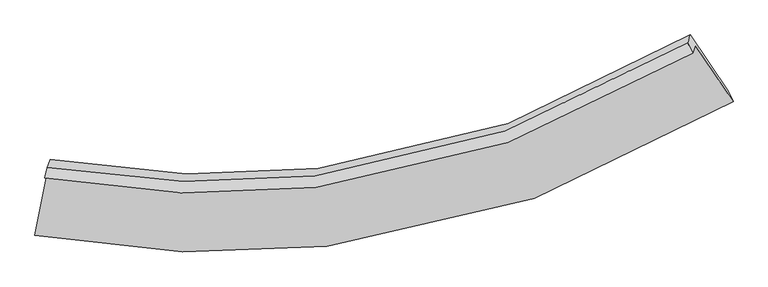
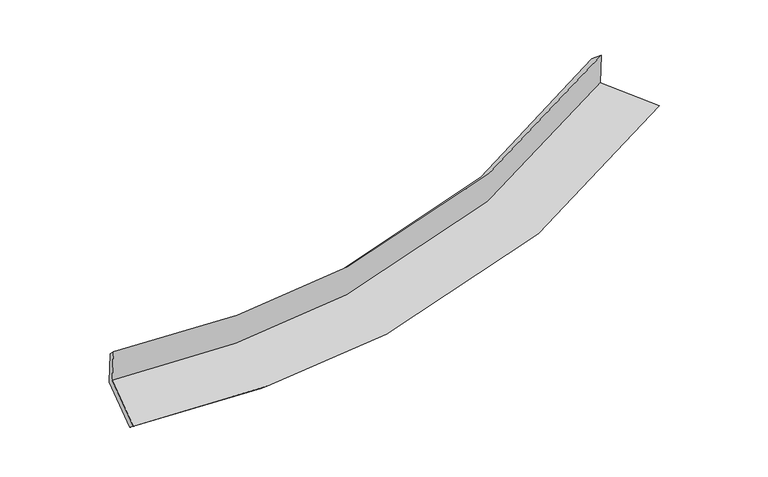
"""IFC4 building model written with IfcOpenShell, lengths in millimetres: proxy geometry."""

from ifc_helpers import new_model, si_unit, frame, origin, place, context, project, spatial, source, transform, mapped, element, save
from ifc_brep_helpers import plane_surface, spline_curve, spline_surface, advanced_brep


def generic_models_8a76f10c(model_context):
    return source(origin(), model_context, "Body", "AdvancedBrep", [
        advanced_brep(
        [(-3033.3268269, -1852.5366231, 1634.3256293), (-3159.2959702, -2492.945646, 1506.5910024), (3689.87303, -1178.0368573, 2232.5486771), (3320.7838971, -629.0947224, 2308.0477894), (-3062.0908378, -1927.3992216, 2038.0224389), (3292.8931401, -701.6845482, 2699.4886651), (-3037.5608398, -1822.2753312, 1944.122584), (3242.6314921, -597.4709473, 2610.1501048), (-3008.7968289, -1747.4127327, 1540.4257743), (3271.760716, -521.6578279, 2201.3276081), (-3132.8645512, -2378.1552043, 1414.6192173), (3642.2946725, -1072.7488329, 2125.5329495)],
        [
            (0, 1),
            (1, 2, spline_curve(3, [(-3159.2959702, -2492.945646, 1506.5910024), (-2180.377378778, -2672.326365731, 1546.103012287), (-1225.567163077, -2708.475631165, 1608.921347433), (1086.488385393, -2442.461362604, 1822.872785543), (2414.734502647, -1968.009167729, 2002.040342167), (3689.87303, -1178.0368573, 2232.5486771)], [4, 2, 4], [0.0, 9.091684569105283, 22.585621771092917])),
            (2, 3),
            (3, 0, spline_curve(3, [(3320.7838971, -629.0947224, 2308.0477894), (2137.91912489, -1360.867350175, 2094.906802054), (905.721645694, -1801.008486325, 1928.945589697), (-1239.253215264, -2049.578091917, 1730.133888614), (-2125.092644224, -2017.250922763, 1671.52104735), (-3033.3268269, -1852.5366231, 1634.3256293)], [4, 2, 4], [0.0, 13.493937201987634, 22.585621771092917])),
            (4, 0),
            (3, 5),
            (5, 4, spline_curve(3, [(3292.8931401, -701.6845482, 2699.4886651), (2110.189342823, -1433.038214984, 2484.088427935), (877.95275887, -1873.281126777, 2318.676042065), (-1267.42243933, -2122.892669741, 2125.482992009), (-2153.513848034, -2091.221315755, 2070.406635914), (-3062.0908378, -1927.3992216, 2038.0224389)], [4, 2, 4], [0.0, 12.987775714683197, 21.738428566009084])),
            (6, 4),
            (5, 7),
            (7, 6, spline_curve(3, [(3242.6314921, -597.4709473, 2610.1501048), (2076.925783174, -1321.446888795, 2386.434641326), (860.430740993, -1758.61163812, 2217.132293377), (-1260.700041379, -2010.267512833, 2024.835212425), (-2137.602443448, -1981.370891523, 1972.12838648), (-3037.5608398, -1822.2753312, 1944.122584)], [4, 2, 4], [0.0, 12.91531260189396, 21.61714265565427])),
            (8, 6),
            (7, 9),
            (9, 8, spline_curve(3, [(3271.760716, -521.6578279, 2201.3276081), (2105.290110026, -1247.624527816, 1988.34731491), (888.443709065, -1685.703740814, 1823.976214382), (-1232.583000159, -1937.088748332, 1630.218484136), (-2109.255780757, -1907.59450404, 1574.288973087), (-3008.7968289, -1747.4127327, 1540.4257743)], [4, 2, 4], [0.0, 12.842848231206986, 21.49585463987966])),
            (10, 8),
            (9, 11),
            (11, 10, spline_curve(3, [(3642.2946725, -1072.7488329, 2125.5329495), (2381.743300487, -1854.797723004, 1895.449229794), (1068.175190087, -2324.929755867, 1718.24260157), (-1219.160823439, -2589.744098414, 1510.144709297), (-2163.979120825, -2554.747522961, 1450.380093594), (-3132.8645512, -2378.1552043, 1414.6192173)], [4, 2, 4], [0.0, 13.346145284899555, 22.338253468557433])),
            (1, 10),
            (11, 2),
        ],
        [
            spline_surface(3, 3, [[(-3033.3268269, -1852.5366231, 1634.3256293), (-2125.092644086, -2017.25092286, 1671.521047378), (-1239.253215265, -2049.578091961, 1730.133888472), (905.721645694, -1801.00848626, 1928.945589907), (2137.919124864, -1360.867350256, 2094.906802127), (3320.7838971, -629.0947224, 2308.0477894)], [(-3075.316541339, -2066.006297407, 1591.747420339), (-2143.520889019, -2235.609403851, 1629.715035736), (-1234.691197826, -2269.21060505, 1689.729708083), (965.977225554, -2014.826111682, 1893.587988508), (2230.190917481, -1563.247956015, 2063.951315537), (3443.813608049, -812.075434012, 2282.881418623)], [(-3117.306255761, -2279.475971693, 1549.169211361), (-2161.949133936, -2453.96788482, 1587.909024078), (-1230.129180416, -2488.843118132, 1649.325527703), (1026.232805385, -2228.643737098, 1858.230387118), (2322.462710152, -1765.628561839, 2032.995828977), (3566.843319051, -995.056145688, 2257.715047877)], [(-3159.2959702, -2492.945646, 1506.5910024), (-2180.377378869, -2672.32636581, 1546.103012436), (-1225.567162978, -2708.475631221, 1608.921347314), (1086.488385245, -2442.461362521, 1822.872785719), (2414.73450277, -1968.009167598, 2002.040342387), (3689.87303, -1178.0368573, 2232.5486771)]], [4, 4], [4, 2, 4], [0.0, 2.1881065973745697], [0.0, 9.091684569105283, 22.585621771092917]),
            spline_surface(3, 3, [[(-3062.0908378, -1927.3992216, 2038.0224389), (-2153.513848179, -2091.221315874, 2070.406635944), (-1267.422439419, -2122.892669853, 2125.48299211), (877.952759003, -1873.281126611, 2318.676041916), (2110.189342855, -1433.0382148, 2484.088427869), (3292.8931401, -701.6845482, 2699.4886651)], [(-3052.502834161, -1902.445022108, 1903.456835676), (-2144.040113476, -2066.56451821, 1937.444773065), (-1258.032698026, -2098.454477219, 1993.699957576), (887.209054575, -1849.190246491, 2188.765891258), (2119.432603524, -1408.981259945, 2354.361219317), (3302.190059099, -677.487939593, 2569.008373228)], [(-3042.914830539, -1877.490822592, 1768.891232524), (-2134.566378789, -2041.907720524, 1804.482910258), (-1248.642956657, -2074.016284595, 1861.916923007), (896.465350122, -1825.09936638, 2058.855740565), (2128.675864195, -1384.924305111, 2224.634010679), (3311.486978101, -653.291331007, 2438.528081272)], [(-3033.3268269, -1852.5366231, 1634.3256293), (-2125.092644086, -2017.25092286, 1671.521047378), (-1239.253215265, -2049.578091961, 1730.133888472), (905.721645694, -1801.00848626, 1928.945589907), (2137.919124864, -1360.867350256, 2094.906802127), (3320.7838971, -629.0947224, 2308.0477894)]], [4, 4], [4, 2, 4], [0.0, 1.3101139775110102], [0.0, 8.750652851325887, 21.738428566009084]),
            spline_surface(3, 3, [[(-3037.5608398, -1822.2753312, 1944.122584), (-2137.602443344, -1981.370891506, 1972.128386548), (-1260.700041478, -2010.267512755, 2024.835212382), (860.430741141, -1758.611638236, 2217.132293442), (2076.925783254, -1321.446888999, 2386.434641161), (3242.6314921, -597.4709473, 2610.1501048)], [(-3045.737505798, -1857.316628012, 1975.422535657), (-2142.906244954, -2017.987699641, 2004.887803037), (-1262.940840804, -2047.809231768, 2058.384472282), (866.27141375, -1796.834801008, 2250.980209591), (2088.013636473, -1358.643997617, 2418.98590337), (3259.385374786, -632.208814285, 2639.929624874)], [(-3053.914171802, -1892.357924788, 2006.722487243), (-2148.210046569, -2054.604507739, 2037.647219455), (-1265.181640094, -2085.35095084, 2091.93373221), (872.112086394, -1835.057963839, 2284.828125767), (2099.101489636, -1395.841106181, 2451.53716566), (3276.139257414, -666.946681215, 2669.709145026)], [(-3062.0908378, -1927.3992216, 2038.0224389), (-2153.513848179, -2091.221315874, 2070.406635944), (-1267.422439419, -2122.892669853, 2125.48299211), (877.952759003, -1873.281126611, 2318.676041916), (2110.189342855, -1433.0382148, 2484.088427869), (3292.8931401, -701.6845482, 2699.4886651)]], [4, 4], [4, 2, 4], [0.0, 0.49990693579313716], [0.0, 8.70183005376031, 21.61714265565427]),
            spline_surface(3, 3, [[(-3008.7968289, -1747.4127327, 1540.4257743), (-2109.255780815, -1907.594503953, 1574.288972966), (-1232.583000119, -1937.088748462, 1630.218484025), (888.443709007, -1685.703740622, 1823.976214547), (2105.290109964, -1247.624527821, 1988.347314751), (3271.760716, -521.6578279, 2201.3276081)], [(-3018.384832539, -1772.366932192, 1674.991377524), (-2118.70466833, -1932.18663313, 1706.902110818), (-1241.95534723, -1961.481669899, 1761.757393481), (879.106053061, -1710.006373165, 1955.028240849), (2095.835334392, -1272.231981537, 2121.043090234), (3262.050974698, -546.928867691, 2337.60177368)], [(-3027.972836161, -1797.321131708, 1809.556980776), (-2128.153555829, -1956.77876233, 1839.515248696), (-1251.327694368, -1985.874591318, 1893.296302926), (869.768397087, -1734.309005692, 2086.08026714), (2086.380558826, -1296.839435282, 2253.738865678), (3252.341233402, -572.199907509, 2473.87593922)], [(-3037.5608398, -1822.2753312, 1944.122584), (-2137.602443344, -1981.370891506, 1972.128386548), (-1260.700041478, -2010.267512755, 2024.835212382), (860.430741141, -1758.611638236, 2217.132293442), (2076.925783254, -1321.446888999, 2386.434641161), (3242.6314921, -597.4709473, 2610.1501048)]], [4, 4], [4, 2, 4], [0.0, 1.3181292197364114], [0.0, 8.653006408672674, 21.49585463987966]),
            spline_surface(3, 3, [[(-3132.8645512, -2378.1552043, 1414.6192173), (-2163.979120816, -2554.747522845, 1450.380093477), (-1219.160823479, -2589.744098507, 1510.144709286), (1068.175190146, -2324.929755729, 1718.242601585), (2381.743300703, -1854.797722958, 1895.449229793), (3642.2946725, -1072.7488329, 2125.5329495)], [(-3091.508643771, -2167.907713756, 1456.554736314), (-2145.738007487, -2339.02984987, 1491.683053321), (-1223.634882359, -2372.192315175, 1550.169300856), (1008.264696433, -2111.854417376, 1753.487139229), (2289.592237106, -1652.406657927, 1926.415258104), (3518.783353649, -889.051831248, 2150.797835692)], [(-3050.152736329, -1957.660223244, 1498.490255286), (-2127.496894144, -2123.312176927, 1532.986013122), (-1228.108941239, -2154.640531794, 1590.193892456), (948.354202721, -1898.779078974, 1788.731676903), (2197.441173561, -1450.015592852, 1957.38128644), (3395.272034851, -705.354829552, 2176.062721908)], [(-3008.7968289, -1747.4127327, 1540.4257743), (-2109.255780815, -1907.594503953, 1574.288972966), (-1232.583000119, -1937.088748462, 1630.218484025), (888.443709007, -1685.703740622, 1823.976214547), (2105.290109964, -1247.624527821, 1988.347314751), (3271.760716, -521.6578279, 2201.3276081)]], [4, 4], [4, 2, 4], [0.0, 2.176347494703406], [0.0, 8.992108183657878, 22.338253468557433]),
            spline_surface(3, 3, [[(-3159.2959702, -2492.945646, 1506.5910024), (-2180.377378869, -2672.32636581, 1546.103012436), (-1225.567162978, -2708.475631221, 1608.921347314), (1086.488385245, -2442.461362521, 1822.872785719), (2414.73450277, -1968.009167598, 2002.040342387), (3689.87303, -1178.0368573, 2232.5486771)], [(-3150.485497192, -2454.682165424, 1475.93374069), (-2174.911292843, -2633.133418146, 1514.195372773), (-1223.431716493, -2668.898453648, 1575.995801312), (1080.383986864, -2403.284160255, 1787.996057682), (2403.737435433, -1930.27201939, 1966.509971526), (3674.013577519, -1142.940849172, 2196.876767903)], [(-3141.675024208, -2416.418684876, 1445.27647901), (-2169.445206842, -2593.940470509, 1482.28773314), (-1221.296269964, -2629.32127608, 1543.070255289), (1074.279588527, -2364.106957995, 1753.119329623), (2392.740368039, -1892.534871166, 1930.979600654), (3658.154124981, -1107.844841028, 2161.204858697)], [(-3132.8645512, -2378.1552043, 1414.6192173), (-2163.979120816, -2554.747522845, 1450.380093477), (-1219.160823479, -2589.744098507, 1510.144709286), (1068.175190146, -2324.929755729, 1718.242601585), (2381.743300703, -1854.797722958, 1895.449229793), (3642.2946725, -1072.7488329, 2125.5329495)]], [4, 4], [4, 2, 4], [0.0, 0.513530034400171], [0.0, 9.381965541876104, 23.306739646280256]),
            plane_surface(frame((3410.0394913, -783.448956, 2362.849299), z_axis=(0.8293308736867528, 0.5358193425189647, 0.1584548330992517), x_axis=(-0.06988581527523194, -0.18188818462564993, 0.9808326366495467))),
            plane_surface(frame((-3072.3226425, -2036.7874598, 1679.684441), z_axis=(-0.9794079930673573, 0.19920156879456485, -0.03284384425665964), x_axis=(0.18940949273752788, 0.9629306430285469, 0.19206410590618328))),
        ],
        [
            (0, [[1, 2, 3, 4]]),
            (1, [[5, -4, 6, 7]]),
            (2, [[8, -7, 9, 10]]),
            (3, [[11, -10, 12, 13]]),
            (4, [[14, -13, 15, 16]]),
            (5, [[17, -16, 18, -2]]),
            (6, [[-12, -9, -6, -3, -18, -15]]),
            (7, [[-1, -5, -8, -11, -14, -17]]),
        ],
    ),
    ])


if __name__ == "__main__":
    model = new_model("IFC4")
    model_context = context("Model", 3, world=origin())
    ifc_project = project(units=[si_unit("LENGTHUNIT", "METRE", prefix="MILLI")], contexts=[model_context])
    site = spatial("IfcSite", under=ifc_project)
    building = spatial("IfcBuilding", under=site)
    placement = place(None, origin())
    generic_models_shape = generic_models_8a76f10c(model_context)
    element("IfcBuildingElementProxy", 1, Name="Generic Models", at=placement, inside=building, context=model_context, shape_type="MappedRepresentation", body=[
        mapped(generic_models_shape, transform((0.0, 0.0, 0.0), x_axis=(1.0, 0.0, 0.0), y_axis=(0.0, 1.0, 0.0), z_axis=(0.0, 0.0, 1.0))),
    ])
    save(model, "model.ifc")
